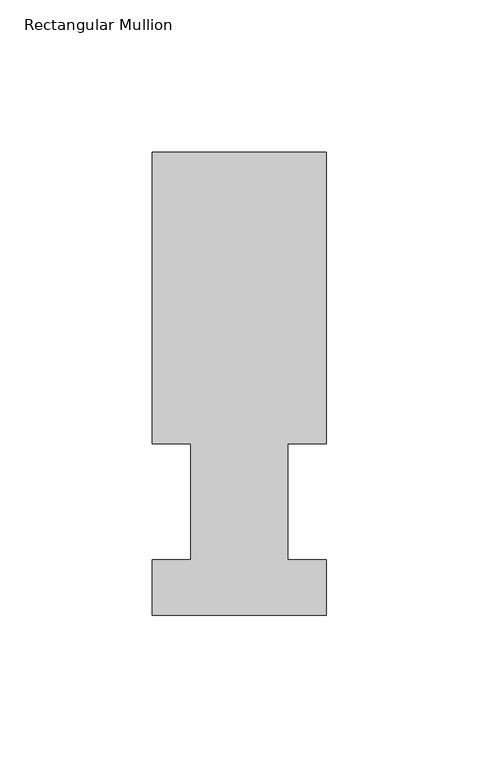
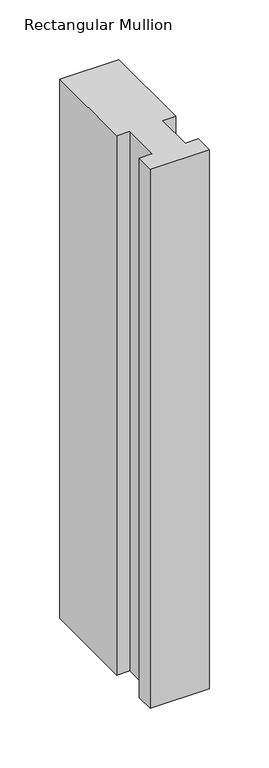
"""IFC4 building model written with IfcOpenShell, lengths in millimetres: member geometry, Rectangular Mullion."""

from ifc_helpers import new_model, si_unit, frame, origin, place, context, project, spatial, polyline, outline, extrude, source, transform, mapped, element, save


def rectangular_mullion_02070aea(model_context):
    return source(origin(), model_context, "Body", "SweptSolid", [
        extrude(outline(polyline([(0.0, 151.98725), (0.0, 56.35625), (-12.7, 56.35625), (-12.7, 18.25625), (0.0, 18.25625), (0.0, -0.03175), (-57.15, -0.03175), (-57.15, 18.25625), (-44.45, 18.25625), (-44.45, 56.35625), (-57.15, 56.35625), (-57.15, 151.98725), (0.0, 151.98725)])), frame((0.0, 0.0, -552.45), z_axis=(0.0, 0.0, 1.0), x_axis=(1.0, 0.0, 0.0)), (0.0, 0.0, 1.0), 552.45),
    ])


if __name__ == "__main__":
    model = new_model("IFC4")
    model_context = context("Model", 3, world=origin())
    ifc_project = project(units=[si_unit("LENGTHUNIT", "METRE", prefix="MILLI")], contexts=[model_context])
    site = spatial("IfcSite", under=ifc_project)
    building = spatial("IfcBuilding", under=site)
    placement = place(None, origin())
    rectangular_mullion_shape = rectangular_mullion_02070aea(model_context)
    element("IfcMember", 1, ObjectType="Rectangular Mullion", at=placement, inside=building, context=model_context, shape_type="MappedRepresentation", body=[
        mapped(rectangular_mullion_shape, transform((0.0, 0.0, 0.0), x_axis=(1.0, 0.0, 0.0), y_axis=(0.0, 1.0, 0.0), z_axis=(0.0, 0.0, 1.0))),
    ])
    save(model, "model.ifc")
